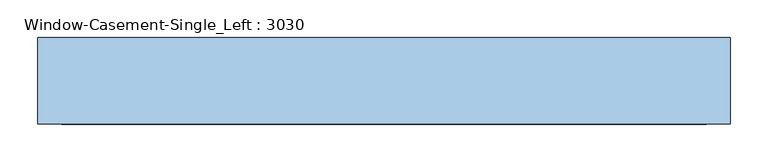
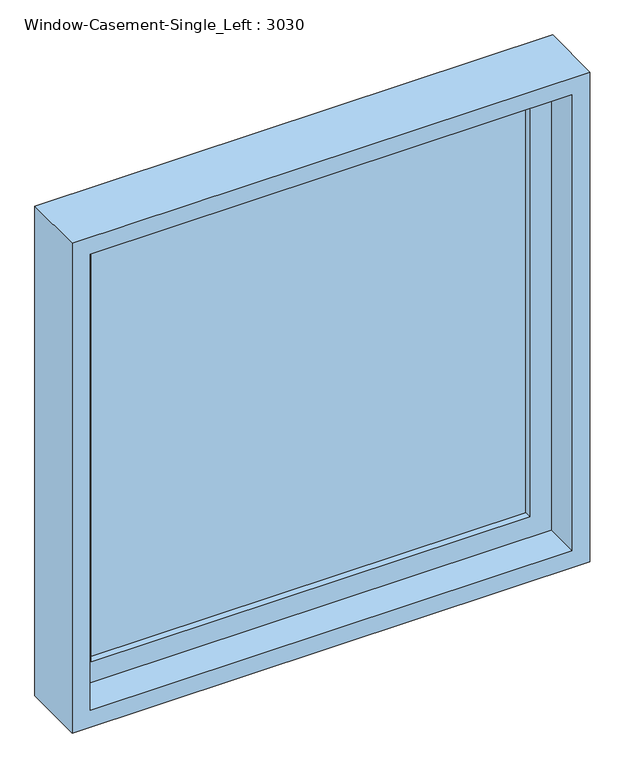
"""IFC4 building model written with IfcOpenShell, lengths in millimetres: window geometry, Window-Casement-Single_Left : 3030."""

from ifc_helpers import new_model, si_unit, frame, origin, place, context, project, spatial, polyline, outline, extrude, faceted_brep, source, transform, mapped, element, save


def window_casement_single_left_3030_4cb4f5af(model_context):
    return source(origin(), model_context, "Body", "SolidModel", [
        extrude(outline(polyline([(387.35, 85.725), (387.35, 79.375), (-387.35, 79.375), (-387.35, 85.725), (387.35, 85.725)])), frame((0.0, 0.0, 984.25), z_axis=(0.0, 0.0, 1.0), x_axis=(1.0, 0.0, 0.0)), (0.0, 0.0, 1.0), 774.7),
        extrude(outline(polyline([(-387.35, 66.675), (-387.35, 73.025), (387.35, 73.025), (387.35, 66.675), (-387.35, 66.675)])), frame((0.0, 0.0, 984.25), z_axis=(0.0, 0.0, 1.0), x_axis=(1.0, 0.0, 0.0)), (0.0, 0.0, 1.0), 774.7),
        extrude(outline(polyline([(1816.1, -444.5), (927.1, -444.5), (927.1, 444.5), (1816.1, 444.5), (1816.1, -444.5)]), holes=[polyline([(1758.95, 387.35), (984.25, 387.35), (984.25, -387.35), (1758.95, -387.35), (1758.95, 387.35)])]), frame((0.0, 53.975, 0.0), z_axis=(0.0, 1.0, 0.0), x_axis=(0.0, 0.0, 1.0)), (0.0, 0.0, 1.0), 44.45),
        faceted_brep([(425.45, 53.975, 1797.05), (425.45, -9.525, 1797.05), (-425.45, -9.525, 1797.05), (-425.45, 53.975, 1797.05), (444.5, 104.775, 1816.1), (444.5, 53.975, 1816.1), (-444.5, 53.975, 1816.1), (-444.5, 104.775, 1816.1), (457.2, -9.525, 1828.8), (457.2, 104.775, 1828.8), (-457.2, 104.775, 1828.8), (-457.2, -9.525, 1828.8), (-425.45, -9.525, 946.15), (-425.45, 53.975, 946.15), (-444.5, 53.975, 927.1), (-444.5, 104.775, 927.1), (-457.2, 104.775, 914.4), (-457.2, -9.525, 914.4), (425.45, -9.525, 946.15), (425.45, 53.975, 946.15), (444.5, 53.975, 927.1), (444.5, 104.775, 927.1), (457.2, 104.775, 914.4), (457.2, -9.525, 914.4)], [[[0, 1, 2, 3]], [[4, 5, 6, 7]], [[8, 9, 10, 11]], [[3, 2, 12, 13]], [[7, 6, 14, 15]], [[11, 10, 16, 17]], [[13, 12, 18, 19]], [[15, 14, 20, 21]], [[17, 16, 22, 23]], [[11, 17, 23, 8], [1, 18, 12, 2]], [[19, 18, 1, 0]], [[5, 20, 14, 6], [3, 13, 19, 0]], [[21, 20, 5, 4]], [[23, 22, 9, 8]], [[9, 22, 16, 10], [7, 15, 21, 4]]]),
    ])


if __name__ == "__main__":
    model = new_model("IFC4")
    model_context = context("Model", 3, world=origin())
    ifc_project = project(units=[si_unit("LENGTHUNIT", "METRE", prefix="MILLI")], contexts=[model_context])
    site = spatial("IfcSite", under=ifc_project)
    building = spatial("IfcBuilding", under=site)
    placement = place(None, origin())
    window_casement_single_left_3030_shape = window_casement_single_left_3030_4cb4f5af(model_context)
    element("IfcWindow", 1, ObjectType="Window-Casement-Single_Left : 3030", at=placement, inside=building, context=model_context, shape_type="MappedRepresentation", body=[
        mapped(window_casement_single_left_3030_shape, transform((0.0, 0.0, 0.0), x_axis=(1.0, 0.0, 0.0), y_axis=(0.0, 1.0, 0.0), z_axis=(0.0, 0.0, 1.0))),
    ])
    save(model, "model.ifc")
